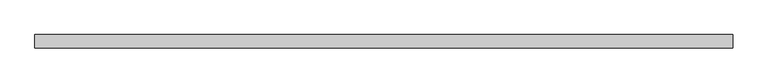
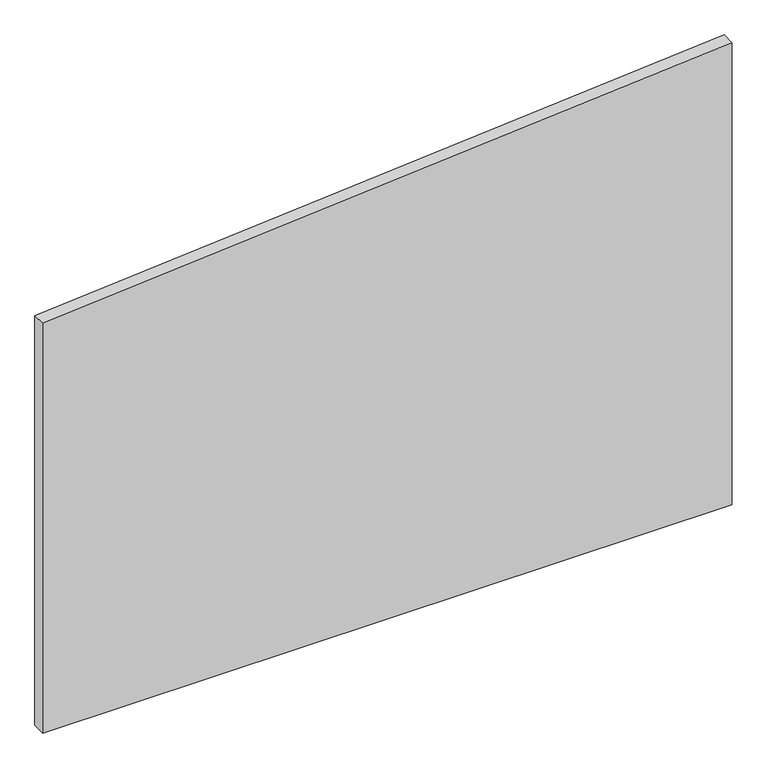
"""IFC4 building model written with IfcOpenShell, lengths in millimetres: plate geometry."""

import ifcopenshell
import ifcopenshell.guid

model = None  # the IFC model being written
_history = None  # IfcOwnerHistory: only IFC2X3 demands one
_inside = {}  # id of a spatial element -> (the spatial element, [elements in it])
_under = {}  # id of a project, library or spatial element -> (it, [spatial elements below it])
_declared = {}  # id of a project -> (the project, [libraries it declares])
_typed = {}  # id of a type object -> (the type object, [elements of that type])
_made_of = {}  # id of a material, layer set ... -> (it, [elements and type objects made of it])


def new_model(schema):
    """Start an empty IFC model of exactly this schema.

    Asked for "IFC4X3", IfcOpenShell would pick the latest addendum, in which some entities
    have other attributes; the version numbers below select the first issue.
    IFC2X3 requires an IfcOwnerHistory on every rooted entity: one is made here for all.
    """
    global model, _history
    if schema == "IFC4X3":
        model = ifcopenshell.file(schema_version=(4, 3, 0, 0))
    else:
        model = ifcopenshell.file(schema=schema)
    _inside.clear()
    _under.clear()
    _declared.clear()
    _typed.clear()
    _made_of.clear()
    _history = None
    if model.schema == "IFC2X3":
        org = make("IfcOrganization", Name="unknown")
        user = make(
            "IfcPersonAndOrganization",
            ThePerson=make("IfcPerson", FamilyName="unknown"),
            TheOrganization=org,
        )
        app = make(
            "IfcApplication",
            ApplicationDeveloper=org,
            Version="unknown",
            ApplicationFullName="unknown",
            ApplicationIdentifier="unknown",
        )
        _history = make(
            "IfcOwnerHistory",
            OwningUser=user,
            OwningApplication=app,
            ChangeAction="ADDED",
            CreationDate=0,
        )
    return model


def make(cls, **values):
    """One entity of the class cls with the attributes given. An attribute that is None is left unset."""
    return model.create_entity(
        cls, **{name: value for name, value in values.items() if value is not None}
    )


def rooted(cls, **values):
    """An entity with a GlobalId (a new one), such as an element, a storey or a relation."""
    return make(cls, GlobalId=ifcopenshell.guid.new(), OwnerHistory=_history, **values)


def si_unit(unit_type, name, prefix=None):
    """IfcSIUnit, for example si_unit("LENGTHUNIT", "METRE", prefix="MILLI")."""
    return make("IfcSIUnit", UnitType=unit_type, Prefix=prefix, Name=name)


def assignment(units):
    """IfcUnitAssignment: the units of a project."""
    return None if units is None else make("IfcUnitAssignment", Units=units)


def point(xyz):
    """IfcCartesianPoint."""
    return None if xyz is None else make("IfcCartesianPoint", Coordinates=xyz)


def direction(xyz):
    """IfcDirection."""
    return None if xyz is None else make("IfcDirection", DirectionRatios=xyz)


def frame(location, z_axis=None, x_axis=None):
    """IfcAxis2Placement3D, a coordinate frame: its origin and axes. An axis left out is left unset."""
    return make(
        "IfcAxis2Placement3D",
        Location=point(location),
        Axis=direction(z_axis),
        RefDirection=direction(x_axis),
    )


def origin():
    """The frame at (0, 0, 0) with its axes left unset."""
    return frame((0.0, 0.0, 0.0))


def place(relative_to, where):
    """IfcLocalPlacement: puts the frame where relative to a parent placement (None: the world)."""
    return make(
        "IfcLocalPlacement", PlacementRelTo=relative_to, RelativePlacement=where
    )


def context(
    kind, dimensions, precision=None, world=None, true_north=None, identifier=None
):
    """IfcGeometricRepresentationContext, for example the 3D "Model" context."""
    return make(
        "IfcGeometricRepresentationContext",
        ContextIdentifier=identifier,
        ContextType=kind,
        CoordinateSpaceDimension=dimensions,
        Precision=precision,
        WorldCoordinateSystem=world,
        TrueNorth=true_north,
    )


def project(units=None, contexts=None):
    """IfcProject with its units and contexts."""
    return rooted(
        "IfcProject",
        Name="project",
        RepresentationContexts=contexts,
        UnitsInContext=assignment(units),
    )


def spatial(cls, under=None, at=None, **own):
    """A site, building, storey or space (cls), placed at a placement, below another one or the project."""
    s = rooted(cls, ObjectPlacement=at, **own)
    if under is not None:
        _under.setdefault(under.id(), (under, []))[1].append(s)
    return s


def polyline(points):
    """IfcPolyline through the points."""
    return make("IfcPolyline", Points=[point(p) for p in points])


def outline(outer, holes=None, kind="AREA"):
    """IfcArbitraryClosedProfileDef: a profile drawn as a closed curve; with holes, ...WithVoids."""
    if holes is None:
        return make("IfcArbitraryClosedProfileDef", ProfileType=kind, OuterCurve=outer)
    return make(
        "IfcArbitraryProfileDefWithVoids",
        ProfileType=kind,
        OuterCurve=outer,
        InnerCurves=holes,
    )


def extrude(swept, where, along, depth):
    """IfcExtrudedAreaSolid: the profile swept, set in the frame where, extruded along a direction by depth."""
    return make(
        "IfcExtrudedAreaSolid",
        SweptArea=swept,
        Position=where,
        ExtrudedDirection=direction(along),
        Depth=depth,
    )


def shape(context_of_items, identifier, shape_type, items):
    """IfcShapeRepresentation: the items that make up one representation, for example the "Body"."""
    return make(
        "IfcShapeRepresentation",
        ContextOfItems=context_of_items,
        RepresentationIdentifier=identifier,
        RepresentationType=shape_type,
        Items=items,
    )


def source(mapping_origin, context_of_items, identifier, shape_type, items):
    """IfcRepresentationMap: a shape defined once, which mapped items show again and again."""
    return make(
        "IfcRepresentationMap",
        MappingOrigin=mapping_origin,
        MappedRepresentation=shape(context_of_items, identifier, shape_type, items),
    )


def transform(
    local_origin,
    x_axis=None,
    y_axis=None,
    z_axis=None,
    scale=None,
    scale2=None,
    scale3=None,
    uniform=True,
):
    """IfcCartesianTransformationOperator3D, or its non-uniform kind. x_axis, y_axis, z_axis: its Axis1, 2, 3."""
    if uniform:
        return make(
            "IfcCartesianTransformationOperator3D",
            Axis1=direction(x_axis),
            Axis2=direction(y_axis),
            LocalOrigin=point(local_origin),
            Scale=scale,
            Axis3=direction(z_axis),
        )
    return make(
        "IfcCartesianTransformationOperator3DnonUniform",
        Axis1=direction(x_axis),
        Axis2=direction(y_axis),
        LocalOrigin=point(local_origin),
        Scale=scale,
        Axis3=direction(z_axis),
        Scale2=scale2,
        Scale3=scale3,
    )


def mapped(mapping_source, mapping_target):
    """IfcMappedItem: shows the shape of a source again, moved by a transform."""
    return make(
        "IfcMappedItem", MappingSource=mapping_source, MappingTarget=mapping_target
    )


def made_of(thing, what):
    """Note that an element or type object is made of a material, layer set ...; save() writes the relation."""
    if what is not None:
        _made_of.setdefault(what.id(), (what, []))[1].append(thing)
    return thing


def element(
    cls,
    number,
    at=None,
    inside=None,
    cuts=None,
    type_object=None,
    material=None,
    context=None,
    identifier="Body",
    shape_type=None,
    held_by="IfcProductDefinitionShape",
    body=None,
    shapes=None,
    **own,
):
    """One element of the class cls, such as IfcWall. Its Tag is "e" and its number.

    at: its placement. inside: the storey or other place that contains it. cuts: it is an
    opening in that element (IfcRelVoidsElement). A single representation is given by context,
    identifier, shape_type and body (its items); several are given by shapes. held_by: the class
    of the entity that holds the representations. save() writes the other relations.
    """
    e = rooted(cls, Tag="e%d" % number, ObjectPlacement=at, **own)
    if body is not None:
        shapes = [shape(context, identifier, shape_type, body)]
    if shapes is not None:
        e.Representation = make(held_by, Representations=shapes)
    if inside is not None:
        _inside.setdefault(inside.id(), (inside, []))[1].append(e)
    if cuts is not None:
        rooted(
            "IfcRelVoidsElement", RelatingBuildingElement=cuts, RelatedOpeningElement=e
        )
    if type_object is not None:
        _typed.setdefault(type_object.id(), (type_object, []))[1].append(e)
    return made_of(e, material)


def aggregate(whole, parts):
    """IfcRelAggregates: a whole, such as a stair, and the parts it consists of."""
    return rooted("IfcRelAggregates", RelatingObject=whole, RelatedObjects=parts)


def save(model, path):
    """Write the relations noted so far, then the file.

    IfcRelAggregates (storeys below a building ...), IfcRelContainedInSpatialStructure (elements
    in a storey), IfcRelDefinesByType, IfcRelAssociatesMaterial and IfcRelDeclares: one each for
    every whole, place, type object, material and project.
    """
    for whole, parts in _under.values():
        aggregate(whole, parts)
    for where, things in _inside.values():
        rooted(
            "IfcRelContainedInSpatialStructure",
            RelatedElements=things,
            RelatingStructure=where,
        )
    for kind, things in _typed.values():
        rooted("IfcRelDefinesByType", RelatedObjects=things, RelatingType=kind)
    for what, things in _made_of.values():
        rooted("IfcRelAssociatesMaterial", RelatedObjects=things, RelatingMaterial=what)
    for by, libraries in _declared.values():
        rooted("IfcRelDeclares", RelatingContext=by, RelatedDefinitions=libraries)
    model.write(path)


def plate_5724baf8(model_context):
    return source(origin(), model_context, "Body", "SweptSolid", [
        extrude(outline(polyline([(0.0, -646.7676722), (0.0, 646.7676722), (916.1670621, 646.7676722), (812.2293922, -646.7676722), (0.0, -646.7676722)])), frame((0.0, 24.5, 0.0), z_axis=(0.0, 1.0, 0.0), x_axis=(0.0, 0.0, 1.0)), (0.0, 0.0, 1.0), 25.0),
    ])


if __name__ == "__main__":
    model = new_model("IFC4")
    model_context = context("Model", 3, world=origin())
    ifc_project = project(units=[si_unit("LENGTHUNIT", "METRE", prefix="MILLI")], contexts=[model_context])
    site = spatial("IfcSite", under=ifc_project)
    building = spatial("IfcBuilding", under=site)
    placement = place(None, origin())
    plate_shape = plate_5724baf8(model_context)
    element("IfcPlate", 1, at=placement, inside=building, context=model_context, shape_type="MappedRepresentation", body=[
        mapped(plate_shape, transform((0.0, 0.0, 0.0), x_axis=(1.0, 0.0, 0.0), y_axis=(0.0, 1.0, 0.0), z_axis=(0.0, 0.0, 1.0))),
    ])
    save(model, "model.ifc")
